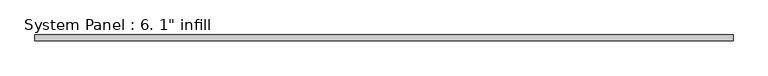
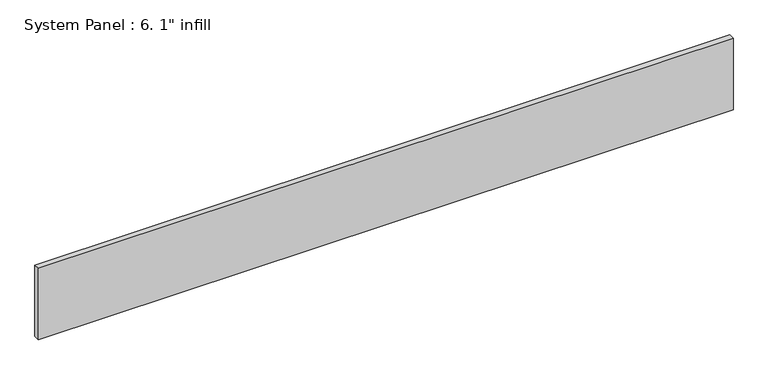
"""IFC4 building model written with IfcOpenShell, lengths in millimetres: plate geometry."""

from ifc_helpers import new_model, si_unit, origin, origin_with_axes, place, context, project, spatial, polyline, outline, extrude, source, transform, mapped, element, save


def plate_c0287c81(model_context):
    return source(origin(), model_context, "Body", "SweptSolid", [
        extrude(outline(polyline([(1524.0, -12.7), (-1524.0, -12.7), (-1524.0, 12.7), (1524.0, 12.7), (1524.0, -12.7)])), origin_with_axes(), (0.0, 0.0, 1.0), 330.6087805),
    ])


if __name__ == "__main__":
    model = new_model("IFC4")
    model_context = context("Model", 3, world=origin())
    ifc_project = project(units=[si_unit("LENGTHUNIT", "METRE", prefix="MILLI")], contexts=[model_context])
    site = spatial("IfcSite", under=ifc_project)
    building = spatial("IfcBuilding", under=site)
    placement = place(None, origin())
    plate_shape = plate_c0287c81(model_context)
    element("IfcPlate", 1, ObjectType="System Panel : 6. 1\" infill", at=placement, inside=building, context=model_context, shape_type="MappedRepresentation", body=[
        mapped(plate_shape, transform((0.0, 0.0, 0.0), x_axis=(1.0, 0.0, 0.0), y_axis=(0.0, 1.0, 0.0), z_axis=(0.0, 0.0, 1.0))),
    ])
    save(model, "model.ifc")
